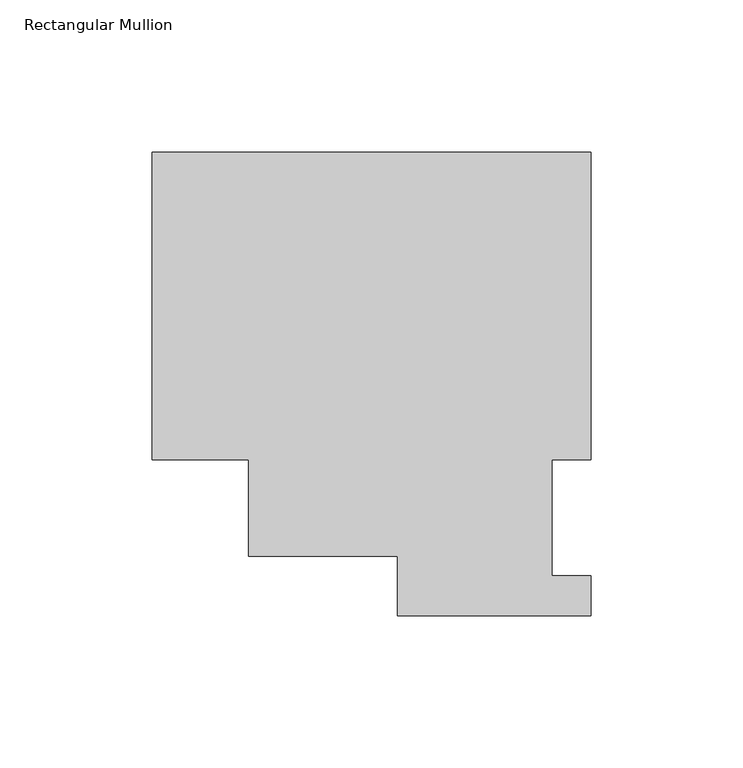
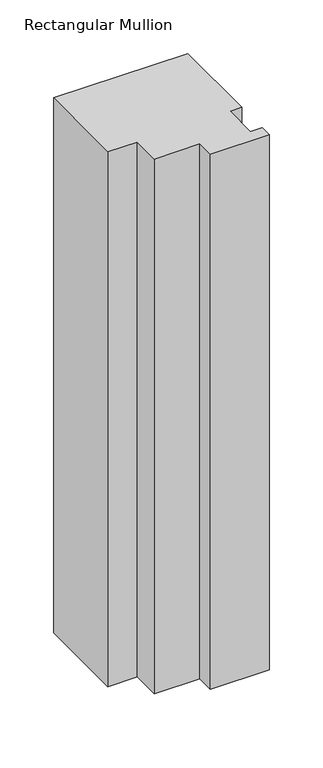
"""IFC4 building model written with IfcOpenShell, lengths in millimetres: member geometry, Rectangular Mullion."""

from ifc_helpers import new_model, si_unit, frame, origin, place, context, project, spatial, polyline, outline, extrude, source, transform, mapped, element, save


def rectangular_mullion_cb30ca63(model_context):
    return source(origin(), model_context, "Body", "SweptSolid", [
        extrude(outline(polyline([(-144.3735629, 152.4896937), (0.0127, 152.4896937), (0.0127, 51.2960937), (-12.6873, 51.2960938), (-12.6873, 13.1960937), (0.0, 13.1960937), (0.0, 0.0134937), (-63.5, 0.0134937), (-63.5, 19.5460937), (-112.6235629, 19.5460937), (-112.6235629, 51.2960937), (-144.3735629, 51.2960938), (-144.3735629, 152.4896937)])), frame((0.0, 0.0, -609.6), z_axis=(0.0, 0.0, 1.0), x_axis=(1.0, 0.0, 0.0)), (0.0, 0.0, 1.0), 609.6),
    ])


if __name__ == "__main__":
    model = new_model("IFC4")
    model_context = context("Model", 3, world=origin())
    ifc_project = project(units=[si_unit("LENGTHUNIT", "METRE", prefix="MILLI")], contexts=[model_context])
    site = spatial("IfcSite", under=ifc_project)
    building = spatial("IfcBuilding", under=site)
    placement = place(None, origin())
    rectangular_mullion_shape = rectangular_mullion_cb30ca63(model_context)
    element("IfcMember", 1, ObjectType="Rectangular Mullion", at=placement, inside=building, context=model_context, shape_type="MappedRepresentation", body=[
        mapped(rectangular_mullion_shape, transform((0.0, 0.0, 0.0), x_axis=(1.0, 0.0, 0.0), y_axis=(0.0, 1.0, 0.0), z_axis=(0.0, 0.0, 1.0))),
    ])
    save(model, "model.ifc")
